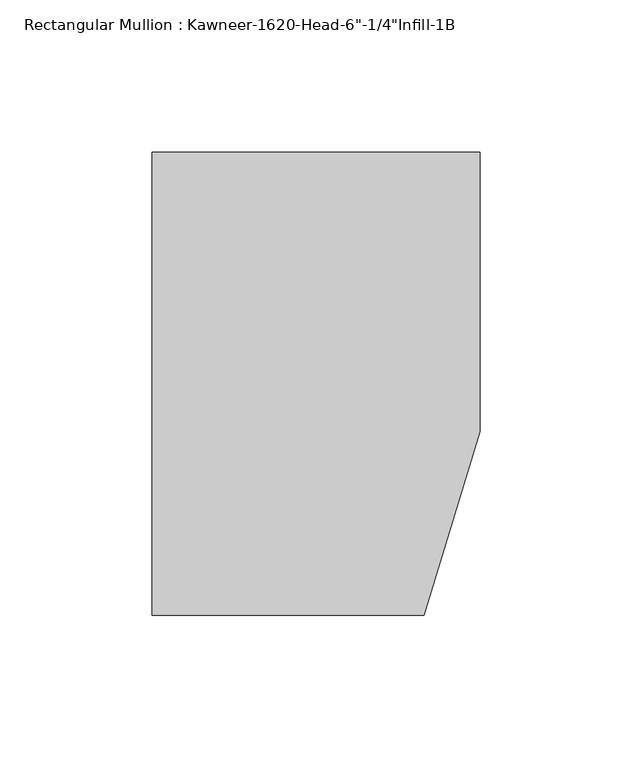
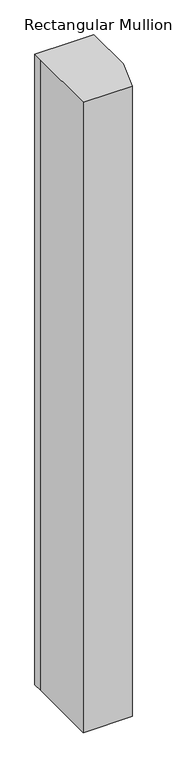
"""IFC4 building model written with IfcOpenShell, lengths in millimetres: member geometry."""

from ifc_helpers import new_model, si_unit, frame, origin, place, context, project, spatial, polyline, outline, extrude, source, transform, mapped, element, save


def member_62416f76(model_context):
    return source(origin(), model_context, "Body", "SweptSolid", [
        extrude(outline(polyline([(-107.95, 10.3845466), (-107.95, 28.575), (-44.1519366, 28.575), (0.0, 28.575), (0.0, -63.5), (-18.3538271, -123.825), (-107.95, -123.825), (-107.95, 10.3845466)])), frame((0.0, 0.0, -1219.2), z_axis=(0.0, 0.0, 1.0), x_axis=(1.0, 0.0, 0.0)), (0.0, 0.0, 1.0), 1219.2),
    ])


if __name__ == "__main__":
    model = new_model("IFC4")
    model_context = context("Model", 3, world=origin())
    ifc_project = project(units=[si_unit("LENGTHUNIT", "METRE", prefix="MILLI")], contexts=[model_context])
    site = spatial("IfcSite", under=ifc_project)
    building = spatial("IfcBuilding", under=site)
    placement = place(None, origin())
    member_shape = member_62416f76(model_context)
    element("IfcMember", 1, ObjectType="Rectangular Mullion : Kawneer-1620-Head-6\"-1/4\"Infill-1B", at=placement, inside=building, context=model_context, shape_type="MappedRepresentation", body=[
        mapped(member_shape, transform((0.0, 0.0, 0.0), x_axis=(1.0, 0.0, 0.0), y_axis=(0.0, 1.0, 0.0), z_axis=(0.0, 0.0, 1.0))),
    ])
    save(model, "model.ifc")
